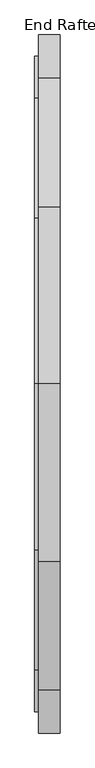
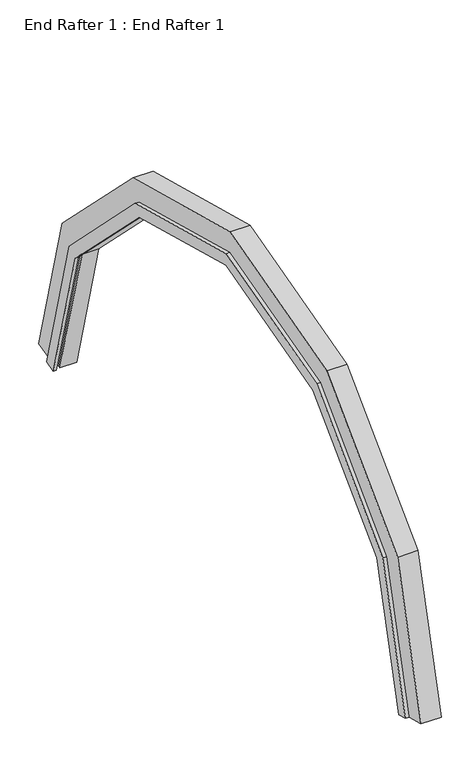
"""IFC4 building model written with IfcOpenShell, lengths in millimetres: proxy geometry, End Rafter 1 : End Rafter 1."""

from ifc_helpers import new_model, si_unit, origin, place, context, project, spatial, faceted_brep, source, transform, mapped, element, save


def end_rafter_1_end_rafter_1_2fed3067(model_context):
    return source(origin(), model_context, "Body", "Brep", [
        faceted_brep([(-5117.4847818, 3916.3009057, 996.5483741), (-5010.8484944, 3916.3009057, 996.5483741), (-5010.8484944, 3752.5831057, 952.6803218), (-5099.7506493, 3752.5831057, 952.6803218), (-5099.7506493, 3764.8527026, 955.9679504), (-5122.217609, 3764.8527026, 955.9679504), (-5122.217609, 3746.4518157, 951.0374476), (-5138.086916, 3746.4518157, 951.0374476), (-5138.086916, 3807.7925711, 967.4736534), (-5117.4847818, 3807.7925711, 967.4736534), (-5117.4847818, 3700.7984564, 1800.814464), (-5010.8484944, 3700.7984564, 1800.814464), (-5010.8484944, 3049.7884859, 2451.8244346), (-5010.8484944, 2157.0909238, 2691.0220254), (-5010.8484944, 1264.3933617, 2451.8244346), (-5010.8484944, 613.3833912, 1800.814464), (-5010.8484944, 397.8809419, 996.5483741), (-5010.8484944, 561.5987419, 952.6803218), (-5010.8484944, 765.346782, 1713.0783594), (-5010.8484944, 1352.1294663, 2299.8610438), (-5010.8484944, 2157.0909238, 2515.5498162), (-5010.8484944, 2962.0523813, 2299.8610438), (-5010.8484944, 3548.8350656, 1713.0783594), (-5099.7506493, 3548.8350656, 1713.0783594), (-5099.7506493, 2962.0523813, 2299.8610438), (-5099.7506493, 2157.0909238, 2515.5498162), (-5099.7506493, 1352.1294663, 2299.8610438), (-5099.7506493, 765.346782, 1713.0783594), (-5099.7506493, 561.5987419, 952.6803218), (-5099.7506493, 549.3291449, 955.9679504), (-5099.7506493, 753.9581025, 1719.6536166), (-5099.7506493, 1345.5542091, 2311.2497233), (-5099.7506493, 2157.0909238, 2528.7003306), (-5099.7506493, 2968.6276384, 2311.2497233), (-5099.7506493, 3560.2237451, 1719.6536166), (-5122.217609, 3560.2237451, 1719.6536166), (-5122.217609, 2968.6276384, 2311.2497233), (-5122.217609, 2157.0909238, 2528.7003306), (-5122.217609, 1345.5542091, 2311.2497233), (-5122.217609, 753.9581025, 1719.6536166), (-5122.217609, 549.3291449, 955.9679504), (-5122.217609, 561.5987419, 952.6803218), (-5122.217609, 563.8682282, 952.0722147), (-5122.217609, 567.7300319, 951.0374476), (-5122.217609, 771.0378652, 1709.792611), (-5122.217609, 1355.4152148, 2294.1699605), (-5122.217609, 2157.0909238, 2508.9783193), (-5122.217609, 2958.7666328, 2294.1699605), (-5122.217609, 3543.1439824, 1709.792611), (-5138.086916, 3543.1439824, 1709.792611), (-5138.086916, 2958.7666328, 2294.1699605), (-5138.086916, 2157.0909238, 2508.9783193), (-5138.086916, 1355.4152148, 2294.1699605), (-5138.086916, 771.0378652, 1709.792611), (-5138.086916, 567.7300319, 951.0374476), (-5138.086916, 506.3892765, 967.4736534), (-5138.086916, 714.1011779, 1742.6650227), (-5138.086916, 1322.542803, 2351.1066479), (-5138.086916, 2157.0909238, 2574.7231429), (-5138.086916, 2991.6390446, 2351.1066479), (-5138.086916, 3600.0806697, 1742.6650227), (-5117.4847818, 3600.0806697, 1742.6650227), (-5117.4847818, 2991.6390446, 2351.1066479), (-5117.4847818, 2157.0909238, 2574.7231429), (-5117.4847818, 1322.542803, 2351.1066479), (-5117.4847818, 714.1011779, 1742.6650227), (-5117.4847818, 506.3892765, 967.4736534), (-5117.4847818, 397.8809419, 996.5483741), (-5117.4847818, 613.3833912, 1800.814464), (-5117.4847818, 1264.3933617, 2451.8244346), (-5117.4847818, 2157.0909238, 2691.0220254), (-5117.4847818, 3049.7884859, 2451.8244346)], [[[0, 1, 2, 3, 4, 5, 6, 7, 8, 9]], [[1, 0, 10, 11]], [[2, 1, 11, 12, 13, 14, 15, 16, 17, 18, 19, 20, 21, 22]], [[3, 2, 22, 23]], [[4, 3, 23, 24, 25, 26, 27, 28, 29, 30, 31, 32, 33, 34]], [[5, 4, 34, 35]], [[6, 5, 35, 36, 37, 38, 39, 40, 41, 42, 43, 44, 45, 46, 47, 48]], [[7, 6, 48, 49]], [[8, 7, 49, 50, 51, 52, 53, 54, 55, 56, 57, 58, 59, 60]], [[9, 8, 60, 61]], [[0, 9, 61, 62, 63, 64, 65, 66, 67, 68, 69, 70, 71, 10]], [[11, 10, 71, 12]], [[23, 22, 21, 24]], [[35, 34, 33, 36]], [[49, 48, 47, 50]], [[61, 60, 59, 62]], [[12, 71, 70, 13]], [[24, 21, 20, 25]], [[36, 33, 32, 37]], [[50, 47, 46, 51]], [[62, 59, 58, 63]], [[13, 70, 69, 14]], [[25, 20, 19, 26]], [[37, 32, 31, 38]], [[51, 46, 45, 52]], [[63, 58, 57, 64]], [[14, 69, 68, 15]], [[26, 19, 18, 27]], [[38, 31, 30, 39]], [[52, 45, 44, 53]], [[64, 57, 56, 65]], [[67, 66, 55, 54, 43, 42, 41, 40, 29, 28, 17, 16]], [[15, 68, 67, 16]], [[27, 18, 17, 28]], [[39, 30, 29, 40]], [[53, 44, 43, 54]], [[65, 56, 55, 66]]]),
    ])


if __name__ == "__main__":
    model = new_model("IFC4")
    model_context = context("Model", 3, world=origin())
    ifc_project = project(units=[si_unit("LENGTHUNIT", "METRE", prefix="MILLI")], contexts=[model_context])
    site = spatial("IfcSite", under=ifc_project)
    building = spatial("IfcBuilding", under=site)
    placement = place(None, origin())
    end_rafter_1_end_rafter_1_shape = end_rafter_1_end_rafter_1_2fed3067(model_context)
    element("IfcBuildingElementProxy", 1, Name="End Rafter 1 : End Rafter 1", ObjectType="End Rafter 1 : End Rafter 1", at=placement, inside=building, context=model_context, shape_type="MappedRepresentation", body=[
        mapped(end_rafter_1_end_rafter_1_shape, transform((0.0, 0.0, 0.0), x_axis=(1.0, 0.0, 0.0), y_axis=(0.0, 1.0, 0.0), z_axis=(0.0, 0.0, 1.0))),
    ])
    save(model, "model.ifc")
